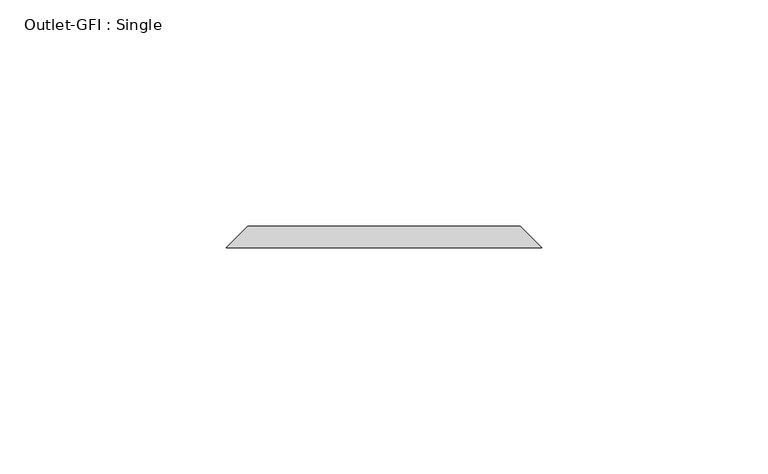
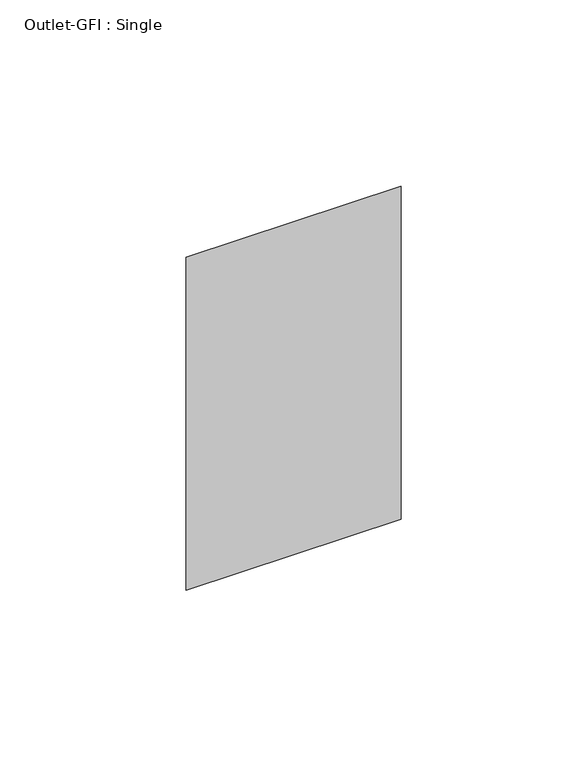
"""IFC4 building model written with IfcOpenShell, lengths in millimetres: proxy geometry, Outlet-GFI : Single."""

from ifc_helpers import new_model, si_unit, origin, place, context, project, spatial, faceted_brep, source, transform, mapped, element, save


def outlet_gfi_single_d07008ff(model_context):
    return source(origin(), model_context, "Body", "Brep", [
        faceted_brep([(-30.1625, 154.7625, 1271.5875), (30.1625, 154.7625, 1271.5875), (30.1625, 154.7625, 1166.8125), (-30.1625, 154.7625, 1166.8125), (-34.925, 150.0, 1276.35), (-34.925, 150.0, 1162.05), (34.925, 150.0, 1162.05), (34.925, 150.0, 1276.35)], [[[0, 1, 2, 3]], [[4, 5, 6, 7]], [[4, 7, 1, 0]], [[7, 6, 2, 1]], [[6, 5, 3, 2]], [[5, 4, 0, 3]]]),
    ])


if __name__ == "__main__":
    model = new_model("IFC4")
    model_context = context("Model", 3, world=origin())
    ifc_project = project(units=[si_unit("LENGTHUNIT", "METRE", prefix="MILLI")], contexts=[model_context])
    site = spatial("IfcSite", under=ifc_project)
    building = spatial("IfcBuilding", under=site)
    placement = place(None, origin())
    outlet_gfi_single_shape = outlet_gfi_single_d07008ff(model_context)
    element("IfcBuildingElementProxy", 1, Name="Outlet-GFI : Single", ObjectType="Outlet-GFI : Single", at=placement, inside=building, context=model_context, shape_type="MappedRepresentation", body=[
        mapped(outlet_gfi_single_shape, transform((0.0, 0.0, 0.0), x_axis=(1.0, 0.0, 0.0), y_axis=(0.0, 1.0, 0.0), z_axis=(0.0, 0.0, 1.0))),
    ])
    save(model, "model.ifc")
